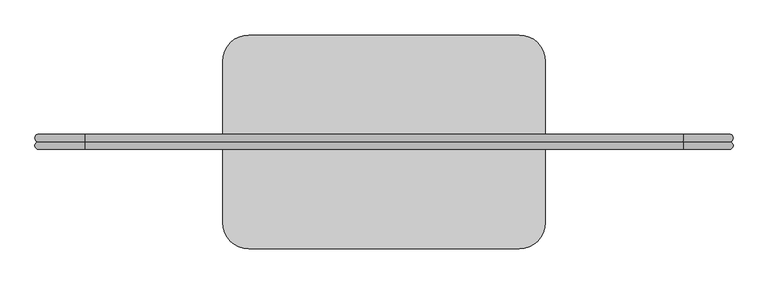
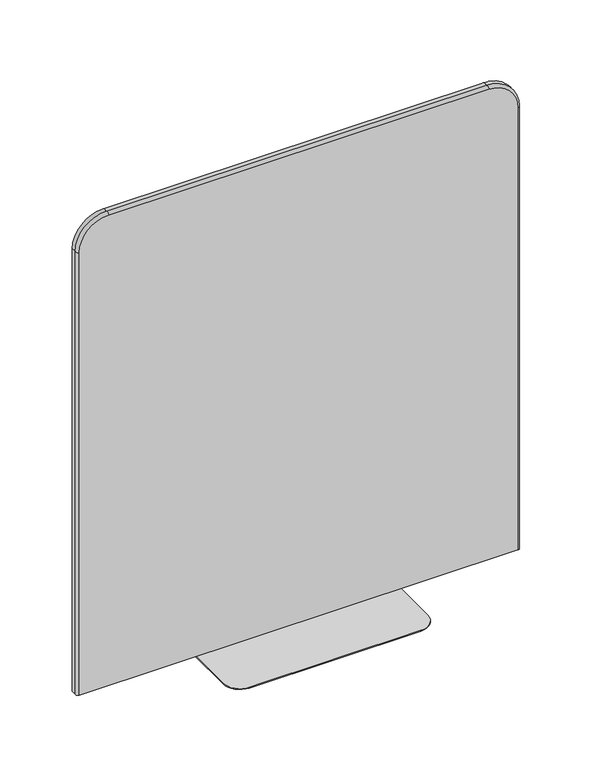
"""IFC4 building model written with IfcOpenShell, lengths in millimetres: furniture geometry."""

import ifcopenshell
import ifcopenshell.guid

model = None  # the IFC model being written
_history = None  # IfcOwnerHistory: only IFC2X3 demands one
_inside = {}  # id of a spatial element -> (the spatial element, [elements in it])
_under = {}  # id of a project, library or spatial element -> (it, [spatial elements below it])
_declared = {}  # id of a project -> (the project, [libraries it declares])
_typed = {}  # id of a type object -> (the type object, [elements of that type])
_made_of = {}  # id of a material, layer set ... -> (it, [elements and type objects made of it])


def new_model(schema):
    """Start an empty IFC model of exactly this schema.

    Asked for "IFC4X3", IfcOpenShell would pick the latest addendum, in which some entities
    have other attributes; the version numbers below select the first issue.
    IFC2X3 requires an IfcOwnerHistory on every rooted entity: one is made here for all.
    """
    global model, _history
    if schema == "IFC4X3":
        model = ifcopenshell.file(schema_version=(4, 3, 0, 0))
    else:
        model = ifcopenshell.file(schema=schema)
    _inside.clear()
    _under.clear()
    _declared.clear()
    _typed.clear()
    _made_of.clear()
    _history = None
    if model.schema == "IFC2X3":
        org = make("IfcOrganization", Name="unknown")
        user = make(
            "IfcPersonAndOrganization",
            ThePerson=make("IfcPerson", FamilyName="unknown"),
            TheOrganization=org,
        )
        app = make(
            "IfcApplication",
            ApplicationDeveloper=org,
            Version="unknown",
            ApplicationFullName="unknown",
            ApplicationIdentifier="unknown",
        )
        _history = make(
            "IfcOwnerHistory",
            OwningUser=user,
            OwningApplication=app,
            ChangeAction="ADDED",
            CreationDate=0,
        )
    return model


def make(cls, **values):
    """One entity of the class cls with the attributes given. An attribute that is None is left unset."""
    return model.create_entity(
        cls, **{name: value for name, value in values.items() if value is not None}
    )


def rooted(cls, **values):
    """An entity with a GlobalId (a new one), such as an element, a storey or a relation."""
    return make(cls, GlobalId=ifcopenshell.guid.new(), OwnerHistory=_history, **values)


def si_unit(unit_type, name, prefix=None):
    """IfcSIUnit, for example si_unit("LENGTHUNIT", "METRE", prefix="MILLI")."""
    return make("IfcSIUnit", UnitType=unit_type, Prefix=prefix, Name=name)


def assignment(units):
    """IfcUnitAssignment: the units of a project."""
    return None if units is None else make("IfcUnitAssignment", Units=units)


def point(xyz):
    """IfcCartesianPoint."""
    return None if xyz is None else make("IfcCartesianPoint", Coordinates=xyz)


def direction(xyz):
    """IfcDirection."""
    return None if xyz is None else make("IfcDirection", DirectionRatios=xyz)


def frame(location, z_axis=None, x_axis=None):
    """IfcAxis2Placement3D, a coordinate frame: its origin and axes. An axis left out is left unset."""
    return make(
        "IfcAxis2Placement3D",
        Location=point(location),
        Axis=direction(z_axis),
        RefDirection=direction(x_axis),
    )


def frame_2d(location, x_axis=None):
    """IfcAxis2Placement2D, a coordinate frame in the plane: its origin and x axis."""
    return make(
        "IfcAxis2Placement2D", Location=point(location), RefDirection=direction(x_axis)
    )


def origin():
    """The frame at (0, 0, 0) with its axes left unset."""
    return frame((0.0, 0.0, 0.0))


def origin_with_axes():
    """The frame at (0, 0, 0) with the z axis (0, 0, 1) and the x axis (1, 0, 0) written out."""
    return frame((0.0, 0.0, 0.0), z_axis=(0.0, 0.0, 1.0), x_axis=(1.0, 0.0, 0.0))


def place(relative_to, where):
    """IfcLocalPlacement: puts the frame where relative to a parent placement (None: the world)."""
    return make(
        "IfcLocalPlacement", PlacementRelTo=relative_to, RelativePlacement=where
    )


def context(
    kind, dimensions, precision=None, world=None, true_north=None, identifier=None
):
    """IfcGeometricRepresentationContext, for example the 3D "Model" context."""
    return make(
        "IfcGeometricRepresentationContext",
        ContextIdentifier=identifier,
        ContextType=kind,
        CoordinateSpaceDimension=dimensions,
        Precision=precision,
        WorldCoordinateSystem=world,
        TrueNorth=true_north,
    )


def project(units=None, contexts=None):
    """IfcProject with its units and contexts."""
    return rooted(
        "IfcProject",
        Name="project",
        RepresentationContexts=contexts,
        UnitsInContext=assignment(units),
    )


def spatial(cls, under=None, at=None, **own):
    """A site, building, storey or space (cls), placed at a placement, below another one or the project."""
    s = rooted(cls, ObjectPlacement=at, **own)
    if under is not None:
        _under.setdefault(under.id(), (under, []))[1].append(s)
    return s


def polyline(points):
    """IfcPolyline through the points."""
    return make("IfcPolyline", Points=[point(p) for p in points])


def circle_curve(where, radius):
    """IfcCircle in the frame where."""
    return make("IfcCircle", Position=where, Radius=radius)


def ellipse_curve(where, semi_axis1, semi_axis2):
    """IfcEllipse in the frame where."""
    return make(
        "IfcEllipse", Position=where, SemiAxis1=semi_axis1, SemiAxis2=semi_axis2
    )


def trimmed(basis, trim1, trim2, sense, master):
    """IfcTrimmedCurve: the piece of a basis curve between two trims."""
    return make(
        "IfcTrimmedCurve",
        BasisCurve=basis,
        Trim1=trim1,
        Trim2=trim2,
        SenseAgreement=sense,
        MasterRepresentation=master,
    )


def segment(curve, same_sense, transition):
    """IfcCompositeCurveSegment."""
    return make(
        "IfcCompositeCurveSegment",
        Transition=transition,
        SameSense=same_sense,
        ParentCurve=curve,
    )


def composite_curve(segments, self_intersect=None):
    """IfcCompositeCurve: segments joined end to end."""
    return make("IfcCompositeCurve", Segments=segments, SelfIntersect=self_intersect)


def outline(outer, holes=None, kind="AREA"):
    """IfcArbitraryClosedProfileDef: a profile drawn as a closed curve; with holes, ...WithVoids."""
    if holes is None:
        return make("IfcArbitraryClosedProfileDef", ProfileType=kind, OuterCurve=outer)
    return make(
        "IfcArbitraryProfileDefWithVoids",
        ProfileType=kind,
        OuterCurve=outer,
        InnerCurves=holes,
    )


def extrude(swept, where, along, depth):
    """IfcExtrudedAreaSolid: the profile swept, set in the frame where, extruded along a direction by depth."""
    return make(
        "IfcExtrudedAreaSolid",
        SweptArea=swept,
        Position=where,
        ExtrudedDirection=direction(along),
        Depth=depth,
    )


def shape(context_of_items, identifier, shape_type, items):
    """IfcShapeRepresentation: the items that make up one representation, for example the "Body"."""
    return make(
        "IfcShapeRepresentation",
        ContextOfItems=context_of_items,
        RepresentationIdentifier=identifier,
        RepresentationType=shape_type,
        Items=items,
    )


def source(mapping_origin, context_of_items, identifier, shape_type, items):
    """IfcRepresentationMap: a shape defined once, which mapped items show again and again."""
    return make(
        "IfcRepresentationMap",
        MappingOrigin=mapping_origin,
        MappedRepresentation=shape(context_of_items, identifier, shape_type, items),
    )


def transform(
    local_origin,
    x_axis=None,
    y_axis=None,
    z_axis=None,
    scale=None,
    scale2=None,
    scale3=None,
    uniform=True,
):
    """IfcCartesianTransformationOperator3D, or its non-uniform kind. x_axis, y_axis, z_axis: its Axis1, 2, 3."""
    if uniform:
        return make(
            "IfcCartesianTransformationOperator3D",
            Axis1=direction(x_axis),
            Axis2=direction(y_axis),
            LocalOrigin=point(local_origin),
            Scale=scale,
            Axis3=direction(z_axis),
        )
    return make(
        "IfcCartesianTransformationOperator3DnonUniform",
        Axis1=direction(x_axis),
        Axis2=direction(y_axis),
        LocalOrigin=point(local_origin),
        Scale=scale,
        Axis3=direction(z_axis),
        Scale2=scale2,
        Scale3=scale3,
    )


def mapped(mapping_source, mapping_target):
    """IfcMappedItem: shows the shape of a source again, moved by a transform."""
    return make(
        "IfcMappedItem", MappingSource=mapping_source, MappingTarget=mapping_target
    )


def made_of(thing, what):
    """Note that an element or type object is made of a material, layer set ...; save() writes the relation."""
    if what is not None:
        _made_of.setdefault(what.id(), (what, []))[1].append(thing)
    return thing


def element(
    cls,
    number,
    at=None,
    inside=None,
    cuts=None,
    type_object=None,
    material=None,
    context=None,
    identifier="Body",
    shape_type=None,
    held_by="IfcProductDefinitionShape",
    body=None,
    shapes=None,
    **own,
):
    """One element of the class cls, such as IfcWall. Its Tag is "e" and its number.

    at: its placement. inside: the storey or other place that contains it. cuts: it is an
    opening in that element (IfcRelVoidsElement). A single representation is given by context,
    identifier, shape_type and body (its items); several are given by shapes. held_by: the class
    of the entity that holds the representations. save() writes the other relations.
    """
    e = rooted(cls, Tag="e%d" % number, ObjectPlacement=at, **own)
    if body is not None:
        shapes = [shape(context, identifier, shape_type, body)]
    if shapes is not None:
        e.Representation = make(held_by, Representations=shapes)
    if inside is not None:
        _inside.setdefault(inside.id(), (inside, []))[1].append(e)
    if cuts is not None:
        rooted(
            "IfcRelVoidsElement", RelatingBuildingElement=cuts, RelatedOpeningElement=e
        )
    if type_object is not None:
        _typed.setdefault(type_object.id(), (type_object, []))[1].append(e)
    return made_of(e, material)


def aggregate(whole, parts):
    """IfcRelAggregates: a whole, such as a stair, and the parts it consists of."""
    return rooted("IfcRelAggregates", RelatingObject=whole, RelatedObjects=parts)


def save(model, path):
    """Write the relations noted so far, then the file.

    IfcRelAggregates (storeys below a building ...), IfcRelContainedInSpatialStructure (elements
    in a storey), IfcRelDefinesByType, IfcRelAssociatesMaterial and IfcRelDeclares: one each for
    every whole, place, type object, material and project.
    """
    for whole, parts in _under.values():
        aggregate(whole, parts)
    for where, things in _inside.values():
        rooted(
            "IfcRelContainedInSpatialStructure",
            RelatedElements=things,
            RelatingStructure=where,
        )
    for kind, things in _typed.values():
        rooted("IfcRelDefinesByType", RelatedObjects=things, RelatingType=kind)
    for what, things in _made_of.values():
        rooted("IfcRelAssociatesMaterial", RelatedObjects=things, RelatingMaterial=what)
    for by, libraries in _declared.values():
        rooted("IfcRelDeclares", RelatingContext=by, RelatedDefinitions=libraries)
    model.write(path)


def plane_surface(at):
    """IfcPlane: the flat surface through the origin of the frame at, square to its z axis."""
    return make("IfcPlane", Position=at)


def cylinder_surface(at, radius):
    """IfcCylindricalSurface: all points at the distance radius from the z axis of the frame at."""
    return make("IfcCylindricalSurface", Position=at, Radius=radius)


def revolved_surface(curve, axis_point, axis_direction):
    """IfcSurfaceOfRevolution: the curve turned about the line through axis_point along axis_direction."""
    return make(
        "IfcSurfaceOfRevolution",
        SweptCurve=make("IfcArbitraryOpenProfileDef", ProfileType="CURVE", Curve=curve),
        AxisPosition=make("IfcAxis1Placement", Location=point(axis_point), Axis=direction(axis_direction)),
    )


def advanced_brep(points, edges, surfaces, faces):
    """IfcAdvancedBrep: a solid bounded by faces that lie on surfaces and meet in shared edges.

    An edge is (start, end): straight between two places in points (the first is 0);
    or (start, end, curve); or (start, end, curve, False) where it runs against its curve.
    A face is (place in surfaces, loops), or (place, loops, False) where it looks against
    its surface's normal. A loop lists edges by number (the first is 1), with a minus sign
    where the edge is run from its end to its start. The first loop is the outer one.
    """
    corners = [point(p) for p in points]
    vertices = [make("IfcVertexPoint", VertexGeometry=c) for c in corners]
    made = []
    for start, end, *more in edges:
        made.append(
            make(
                "IfcEdgeCurve",
                EdgeStart=vertices[start],
                EdgeEnd=vertices[end],
                EdgeGeometry=more[0] if more else make("IfcPolyline", Points=[corners[start], corners[end]]),
                SameSense=more[1] if len(more) > 1 else True,
            )
        )
    hull = []
    for where, loops, *sense in faces:
        bounds = []
        for j, loop in enumerate(loops):
            ring = [make("IfcOrientedEdge", EdgeElement=made[abs(k) - 1], Orientation=k > 0) for k in loop]
            bounds.append(
                make(
                    "IfcFaceOuterBound" if j == 0 else "IfcFaceBound",
                    Bound=make("IfcEdgeLoop", EdgeList=ring),
                    Orientation=True,
                )
            )
        hull.append(make("IfcAdvancedFace", Bounds=bounds, FaceSurface=surfaces[where], SameSense=sense[0] if sense else True))
    return make("IfcAdvancedBrep", Outer=make("IfcClosedShell", CfsFaces=hull))


def furniture_1fc6ba28(model_context):
    return source(origin(), model_context, "Body", "SolidModel", [
        advanced_brep(
        [(791.4792664, -54.7578317, 3.0), (791.4792664, -72.0728847, 3.0), (791.442119, -89.3879376, 3.0), (-791.442119, -89.3879376, 3.0), (-791.442119, -72.0728847, 3.0), (-791.4792664, -54.7578317, 3.0), (-791.4792664, -54.7578317, 1689.1), (-685.8, -54.7578317, 1794.7792664), (685.8, -54.7578317, 1794.7792664), (791.4792664, -54.7578317, 1689.1), (791.442119, -89.3879376, 1689.1), (685.8, -89.3879376, 1794.742119), (-685.8, -89.3879376, 1794.742119), (-791.442119, -89.3879376, 1689.1), (-791.442119, -72.0728847, 1689.1), (-685.8, -72.0728847, 1794.742119), (685.8, -72.0728847, 1794.742119), (791.442119, -72.0728847, 1689.1)],
        [
            (0, 1, circle_curve(frame((791.4792664, -63.4153582, 3.0), z_axis=(0.0, 0.0, -1.0), x_axis=(1.0, 0.0, 0.0)), 8.6575265)),
            (1, 2, circle_curve(frame((791.442119, -80.7304112, 3.0), z_axis=(0.0, 0.0, -1.0), x_axis=(1.0, 0.0, 0.0)), 8.6575265)),
            (2, 3),
            (3, 4, circle_curve(frame((-791.442119, -80.7304112, 3.0), z_axis=(0.0, 0.0, -1.0), x_axis=(-1.0, 0.0, 0.0)), 8.6575265)),
            (4, 5, circle_curve(frame((-791.4792664, -63.4153582, 3.0), z_axis=(0.0, 0.0, -1.0), x_axis=(-1.0, 0.0, 0.0)), 8.6575265)),
            (5, 0),
            (5, 6),
            (6, 7, circle_curve(frame((-685.8, -54.7578317, 1689.1), z_axis=(0.0, 1.0, 0.0), x_axis=(-1.0, 0.0, 0.0)), 105.6792664)),
            (7, 8),
            (8, 9, circle_curve(frame((685.8, -54.7578317, 1689.1), z_axis=(0.0, 1.0, 0.0), x_axis=(0.0, 0.0, 1.0)), 105.6792664)),
            (9, 0),
            (2, 10),
            (10, 11, circle_curve(frame((685.8, -89.3879376, 1689.1), z_axis=(0.0, -1.0, 0.0), x_axis=(0.0, 0.0, 1.0)), 105.642119)),
            (11, 12),
            (12, 13, circle_curve(frame((-685.8, -89.3879376, 1689.1), z_axis=(0.0, -1.0, 0.0), x_axis=(-1.0, 0.0, 0.0)), 105.642119)),
            (13, 3),
            (13, 14, circle_curve(frame((-791.442119, -80.7304112, 1689.1), z_axis=(0.0, 0.0, -1.0), x_axis=(-1.0, 0.0, 0.0)), 8.6575265)),
            (14, 4),
            (14, 6, circle_curve(frame((-791.4792664, -63.4153582, 1689.1), z_axis=(0.0, 0.0, -1.0), x_axis=(-1.0, 0.0, 0.0)), 8.6575265)),
            (12, 15, circle_curve(frame((-685.8, -80.7304112, 1794.742119), z_axis=(-1.0, 0.0, 0.0), x_axis=(0.0, 0.0, 1.0)), 8.6575265)),
            (15, 14, circle_curve(frame((-685.8, -72.0728847, 1689.1), z_axis=(0.0, -1.0, 0.0), x_axis=(-1.0, 0.0, 0.0)), 105.642119)),
            (15, 7, circle_curve(frame((-685.8, -63.4153582, 1794.7792664), z_axis=(-1.0, 0.0, 0.0), x_axis=(0.0, 0.0, 1.0)), 8.6575265)),
            (11, 16, circle_curve(frame((685.8, -80.7304112, 1794.742119), z_axis=(-1.0, 0.0, 0.0), x_axis=(0.0, 0.0, 1.0)), 8.6575265)),
            (16, 15),
            (16, 8, circle_curve(frame((685.8, -63.4153582, 1794.7792664), z_axis=(-1.0, 0.0, 0.0), x_axis=(0.0, 0.0, 1.0)), 8.6575265)),
            (10, 17, circle_curve(frame((791.442119, -80.7304112, 1689.1), z_axis=(0.0, 0.0, 1.0), x_axis=(1.0, 0.0, 0.0)), 8.6575265)),
            (17, 16, circle_curve(frame((685.8, -72.0728847, 1689.1), z_axis=(0.0, -1.0, 0.0), x_axis=(0.0, 0.0, 1.0)), 105.642119)),
            (17, 9, circle_curve(frame((791.4792664, -63.4153582, 1689.1), z_axis=(0.0, 0.0, 1.0), x_axis=(1.0, 0.0, 0.0)), 8.6575265)),
            (1, 17),
        ],
        [
            plane_surface(frame((-769.9375, -72.0728847, 3.0), z_axis=(0.0, 0.0, -1.0), x_axis=(0.0, -1.0, 0.0))),
            plane_surface(frame((-791.4792664, -54.7578317, 3.0), z_axis=(0.0, 1.0, 0.0), x_axis=(0.0, 0.0, 1.0))),
            plane_surface(frame((-769.9375, -89.3879376, 3.0), z_axis=(0.0, -1.0, 0.0), x_axis=(0.0, 0.0, 1.0))),
            cylinder_surface(frame((-791.442119, -80.7304112, 3.0), z_axis=(0.0, 0.0, -1.0), x_axis=(-1.0, 0.0, 0.0)), 8.6575265),
            cylinder_surface(frame((-791.4792664, -63.4153582, 3.0), z_axis=(0.0, 0.0, -1.0), x_axis=(-1.0, 0.0, 0.0)), 8.6575265),
            revolved_surface(trimmed(ellipse_curve(frame((-791.442119, -80.7304112, 1689.1), z_axis=(0.0, 0.0, -1.0), x_axis=(-1.0, 0.0, 0.0)), 8.6575265, 8.6575265), [point((-791.442119, -89.3879376, 1689.1))], [point((-791.442119, -72.0728847, 1689.1))], True, "CARTESIAN"), (-685.8, -72.0728847, 1689.1), (0.0, 1.0, 0.0)),
            revolved_surface(trimmed(ellipse_curve(frame((-791.4792664, -63.4153582, 1689.1), z_axis=(0.0, 0.0, -1.0), x_axis=(-1.0, 0.0, 0.0)), 8.6575265, 8.6575265), [point((-791.4792664, -72.0728847, 1689.1))], [point((-791.4792664, -54.7578317, 1689.1))], True, "CARTESIAN"), (-685.8, -72.0728847, 1689.1), (0.0, 1.0, 0.0)),
            cylinder_surface(frame((-685.8, -80.7304112, 1794.742119), z_axis=(-1.0, 0.0, 0.0), x_axis=(0.0, 0.0, 1.0)), 8.6575265),
            cylinder_surface(frame((-685.8, -63.4153582, 1794.7792664), z_axis=(-1.0, 0.0, 0.0), x_axis=(0.0, 0.0, 1.0)), 8.6575265),
            revolved_surface(trimmed(ellipse_curve(frame((685.8, -80.7304112, 1794.742119), z_axis=(-1.0, 0.0, 0.0), x_axis=(0.0, 0.0, 1.0)), 8.6575265, 8.6575265), [point((685.8, -89.3879376, 1794.742119))], [point((685.8, -72.0728847, 1794.742119))], True, "CARTESIAN"), (685.8, -72.0728847, 1689.1), (0.0, 1.0, 0.0)),
            revolved_surface(trimmed(ellipse_curve(frame((685.8, -63.4153582, 1794.7792664), z_axis=(-1.0, 0.0, 0.0), x_axis=(0.0, 0.0, 1.0)), 8.6575265, 8.6575265), [point((685.8, -72.0728847, 1794.7792664))], [point((685.8, -54.7578317, 1794.7792664))], True, "CARTESIAN"), (685.8, -72.0728847, 1689.1), (0.0, 1.0, 0.0)),
            cylinder_surface(frame((791.442119, -80.7304112, 1689.1), z_axis=(0.0, 0.0, 1.0), x_axis=(1.0, 0.0, 0.0)), 8.6575265),
            cylinder_surface(frame((791.4792664, -63.4153582, 1689.1), z_axis=(0.0, 0.0, 1.0), x_axis=(1.0, 0.0, 0.0)), 8.6575265),
        ],
        [
            (0, [[1, 2, 3, 4, 5, 6]]),
            (1, [[-6, 7, 8, 9, 10, 11]]),
            (2, [[-3, 12, 13, 14, 15, 16]]),
            (3, [[-4, -16, 17, 18]]),
            (4, [[-5, -18, 19, -7]]),
            (5, [[-15, 20, 21, -17]]),
            (6, [[-8, -19, -21, 22]]),
            (7, [[-14, 23, 24, -20]]),
            (8, [[-9, -22, -24, 25]]),
            (9, [[-13, 26, 27, -23]]),
            (10, [[-10, -25, -27, 28]]),
            (11, [[-12, -2, 29, -26]]),
            (12, [[-11, -28, -29, -1]]),
        ],
    ),
        extrude(outline(composite_curve([segment(trimmed(circle_curve(frame_2d((309.626, 112.5851153)), 60.325), [point((309.626, 172.9101153))], [point((369.951, 112.5851153))], False, "CARTESIAN"), True, "CONTINUOUS"), segment(polyline([(369.951, 112.5851153), (369.951, -256.7308847)]), True, "CONTINUOUS"), segment(trimmed(circle_curve(frame_2d((309.626, -256.7308847)), 60.325), [point((369.951, -256.7308847))], [point((309.626, -317.0558847))], False, "CARTESIAN"), True, "CONTINUOUS"), segment(polyline([(309.626, -317.0558847), (-309.626, -317.0558847)]), True, "CONTINUOUS"), segment(trimmed(circle_curve(frame_2d((-309.626, -256.7308847)), 60.325), [point((-309.626, -317.0558847))], [point((-369.951, -256.7308847))], False, "CARTESIAN"), True, "CONTINUOUS"), segment(polyline([(-369.951, -256.7308847), (-369.951, 112.5851153)]), True, "CONTINUOUS"), segment(trimmed(circle_curve(frame_2d((-309.626, 112.5851153)), 60.325), [point((-369.951, 112.5851153))], [point((-309.626, 172.9101153))], False, "CARTESIAN"), True, "CONTINUOUS"), segment(polyline([(-309.626, 172.9101153), (309.626, 172.9101153)]), True, "CONTINUOUS")], self_intersect=False)), origin_with_axes(), (0.0, 0.0, 1.0), 3.0),
    ])


if __name__ == "__main__":
    model = new_model("IFC4")
    model_context = context("Model", 3, world=origin())
    ifc_project = project(units=[si_unit("LENGTHUNIT", "METRE", prefix="MILLI")], contexts=[model_context])
    site = spatial("IfcSite", under=ifc_project)
    building = spatial("IfcBuilding", under=site)
    placement = place(None, origin())
    furniture_shape = furniture_1fc6ba28(model_context)
    element("IfcFurniture", 1, at=placement, inside=building, context=model_context, shape_type="MappedRepresentation", body=[
        mapped(furniture_shape, transform((0.0, 0.0, 0.0), x_axis=(1.0, 0.0, 0.0), y_axis=(0.0, 1.0, 0.0), z_axis=(0.0, 0.0, 1.0))),
    ])
    save(model, "model.ifc")
